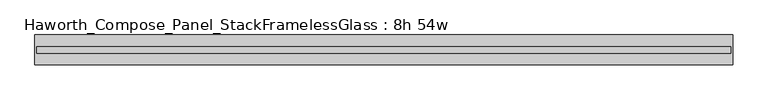
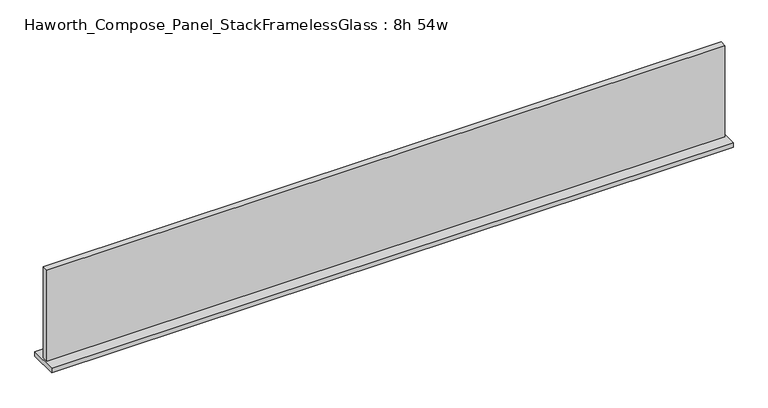
"""IFC4 building model written with IfcOpenShell, lengths in millimetres: furniture geometry, Haworth_Compose_Panel_StackFramelessGlass : 8h 54w."""

from ifc_helpers import new_model, si_unit, frame, origin, place, context, project, spatial, polyline, outline, extrude, source, transform, mapped, element, save


def haworth_compose_panel_stackframelessglass_8h_54w_69459db7(model_context):
    return source(origin(), model_context, "Body", "SweptSolid", [
        extrude(outline(polyline([(685.0652902, -27.3093594), (-680.1847098, -27.3093594), (-680.1847098, -14.6093594), (685.0652902, -14.6093594), (685.0652902, -27.3093594)])), frame((0.0, 0.0, 1279.525), z_axis=(0.0, 0.0, 1.0), x_axis=(1.0, 0.0, 0.0)), (0.0, 0.0, 1.0), 193.675),
        extrude(outline(polyline([(-683.3597098, -50.3281094), (-683.3597098, 8.4093906), (688.2402902, 8.4093906), (688.2402902, -50.3281094), (-683.3597098, -50.3281094)])), frame((0.0, 0.0, 1270.0), z_axis=(0.0, 0.0, 1.0), x_axis=(1.0, 0.0, 0.0)), (0.0, 0.0, 1.0), 9.525),
    ])


if __name__ == "__main__":
    model = new_model("IFC4")
    model_context = context("Model", 3, world=origin())
    ifc_project = project(units=[si_unit("LENGTHUNIT", "METRE", prefix="MILLI")], contexts=[model_context])
    site = spatial("IfcSite", under=ifc_project)
    building = spatial("IfcBuilding", under=site)
    placement = place(None, origin())
    haworth_compose_panel_stackframelessglass_8h_54w_shape = haworth_compose_panel_stackframelessglass_8h_54w_69459db7(model_context)
    element("IfcFurniture", 1, ObjectType="Haworth_Compose_Panel_StackFramelessGlass : 8h 54w", at=placement, inside=building, context=model_context, shape_type="MappedRepresentation", body=[
        mapped(haworth_compose_panel_stackframelessglass_8h_54w_shape, transform((0.0, 0.0, 0.0), x_axis=(1.0, 0.0, 0.0), y_axis=(0.0, 1.0, 0.0), z_axis=(0.0, 0.0, 1.0))),
    ])
    save(model, "model.ifc")
